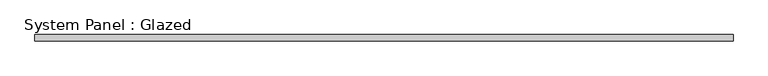
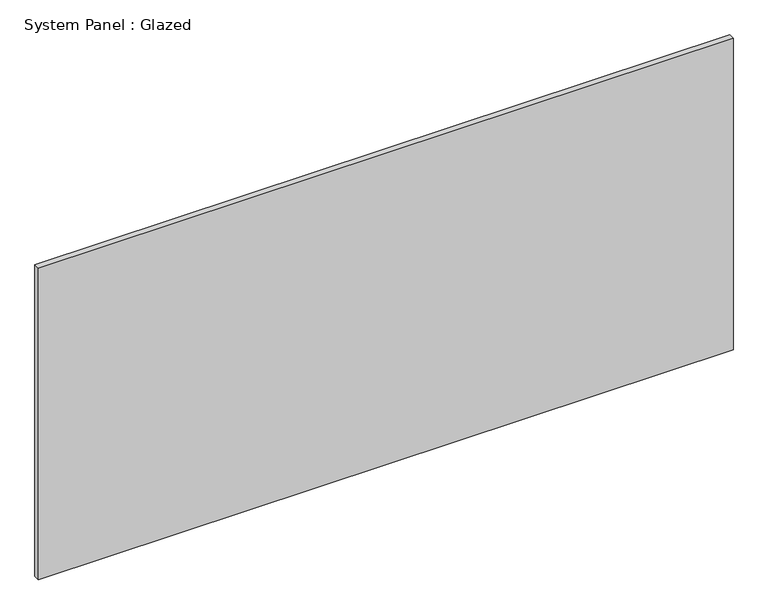
"""IFC4 building model written with IfcOpenShell, lengths in millimetres: plate geometry, System Panel : Glazed."""

from ifc_helpers import new_model, si_unit, origin, origin_with_axes, place, context, project, spatial, polyline, outline, extrude, source, transform, mapped, element, save


def system_panel_glazed_0cc17136(model_context):
    return source(origin(), model_context, "Body", "SweptSolid", [
        extrude(outline(polyline([(1425.0, -22.5), (-1425.0, -22.5), (-1425.0, 2.5), (1425.0, 2.5), (1425.0, -22.5)])), origin_with_axes(), (0.0, 0.0, 1.0), 1350.0),
    ])


if __name__ == "__main__":
    model = new_model("IFC4")
    model_context = context("Model", 3, world=origin())
    ifc_project = project(units=[si_unit("LENGTHUNIT", "METRE", prefix="MILLI")], contexts=[model_context])
    site = spatial("IfcSite", under=ifc_project)
    building = spatial("IfcBuilding", under=site)
    placement = place(None, origin())
    system_panel_glazed_shape = system_panel_glazed_0cc17136(model_context)
    element("IfcPlate", 1, ObjectType="System Panel : Glazed", at=placement, inside=building, context=model_context, shape_type="MappedRepresentation", body=[
        mapped(system_panel_glazed_shape, transform((0.0, 0.0, 0.0), x_axis=(1.0, 0.0, 0.0), y_axis=(0.0, 1.0, 0.0), z_axis=(0.0, 0.0, 1.0))),
    ])
    save(model, "model.ifc")
